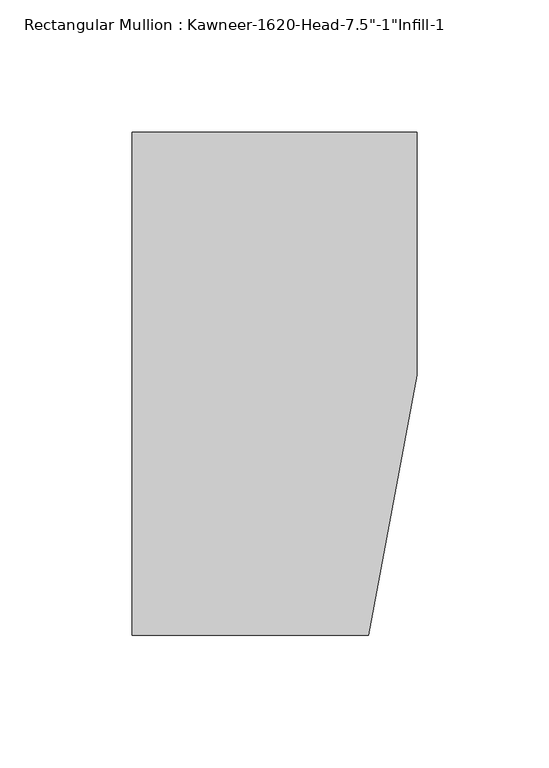
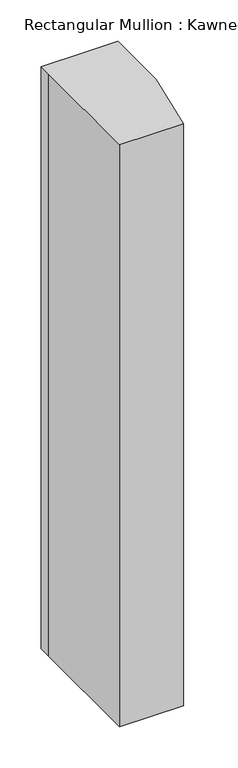
"""IFC4 building model written with IfcOpenShell, lengths in millimetres: member geometry."""

from ifc_helpers import new_model, si_unit, frame, origin, place, context, project, spatial, polyline, outline, extrude, source, transform, mapped, element, save


def member_0844d90f(model_context):
    return source(origin(), model_context, "Body", "SweptSolid", [
        extrude(outline(polyline([(-107.95, 19.9095466), (-107.95, 38.1), (-44.1519366, 38.1), (0.0, 38.1), (0.0, -53.975), (-18.3538271, -152.4), (-107.95, -152.4), (-107.95, 19.9095466)])), frame((0.0, 0.0, -860.425), z_axis=(0.0, 0.0, 1.0), x_axis=(1.0, 0.0, 0.0)), (0.0, 0.0, 1.0), 860.425),
    ])


if __name__ == "__main__":
    model = new_model("IFC4")
    model_context = context("Model", 3, world=origin())
    ifc_project = project(units=[si_unit("LENGTHUNIT", "METRE", prefix="MILLI")], contexts=[model_context])
    site = spatial("IfcSite", under=ifc_project)
    building = spatial("IfcBuilding", under=site)
    placement = place(None, origin())
    member_shape = member_0844d90f(model_context)
    element("IfcMember", 1, ObjectType="Rectangular Mullion : Kawneer-1620-Head-7.5\"-1\"Infill-1", at=placement, inside=building, context=model_context, shape_type="MappedRepresentation", body=[
        mapped(member_shape, transform((0.0, 0.0, 0.0), x_axis=(1.0, 0.0, 0.0), y_axis=(0.0, 1.0, 0.0), z_axis=(0.0, 0.0, 1.0))),
    ])
    save(model, "model.ifc")
